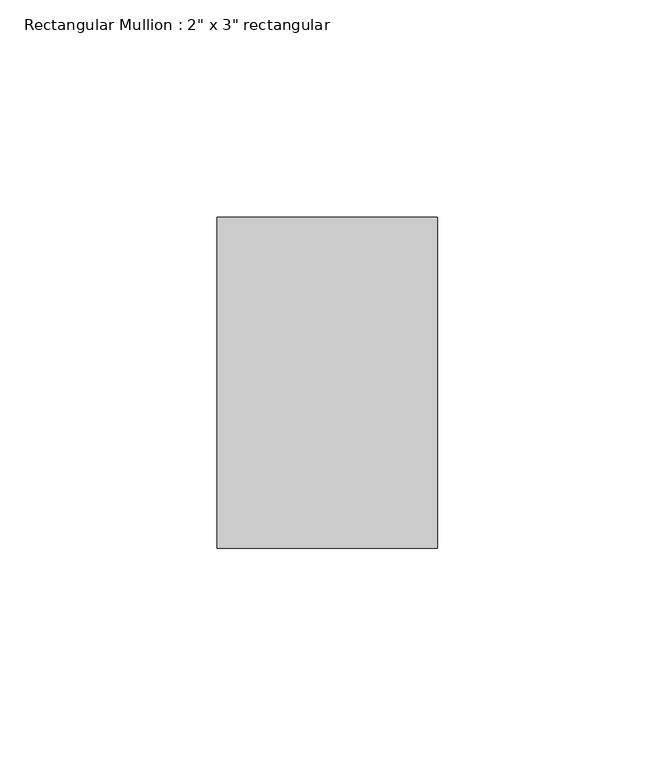
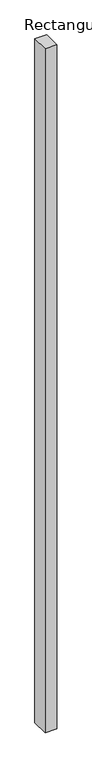
"""IFC4 building model written with IfcOpenShell, lengths in millimetres: member geometry."""

from ifc_helpers import new_model, si_unit, frame, origin, place, context, project, spatial, polyline, outline, extrude, source, transform, mapped, element, save


def member_f21eb965(model_context):
    return source(origin(), model_context, "Body", "SweptSolid", [
        extrude(outline(polyline([(0.0, 38.1), (0.0, -38.1), (-50.8, -38.1), (-50.8, 38.1), (0.0, 38.1)])), frame((0.0, 0.0, -3149.6), z_axis=(0.0, 0.0, 1.0), x_axis=(1.0, 0.0, 0.0)), (0.0, 0.0, 1.0), 3149.6),
    ])


if __name__ == "__main__":
    model = new_model("IFC4")
    model_context = context("Model", 3, world=origin())
    ifc_project = project(units=[si_unit("LENGTHUNIT", "METRE", prefix="MILLI")], contexts=[model_context])
    site = spatial("IfcSite", under=ifc_project)
    building = spatial("IfcBuilding", under=site)
    placement = place(None, origin())
    member_shape = member_f21eb965(model_context)
    element("IfcMember", 1, ObjectType="Rectangular Mullion : 2\" x 3\" rectangular", at=placement, inside=building, context=model_context, shape_type="MappedRepresentation", body=[
        mapped(member_shape, transform((0.0, 0.0, 0.0), x_axis=(1.0, 0.0, 0.0), y_axis=(0.0, 1.0, 0.0), z_axis=(0.0, 0.0, 1.0))),
    ])
    save(model, "model.ifc")
